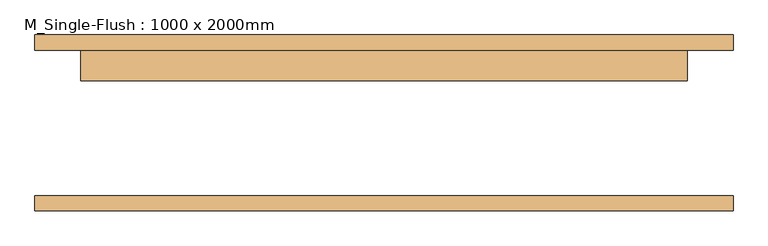
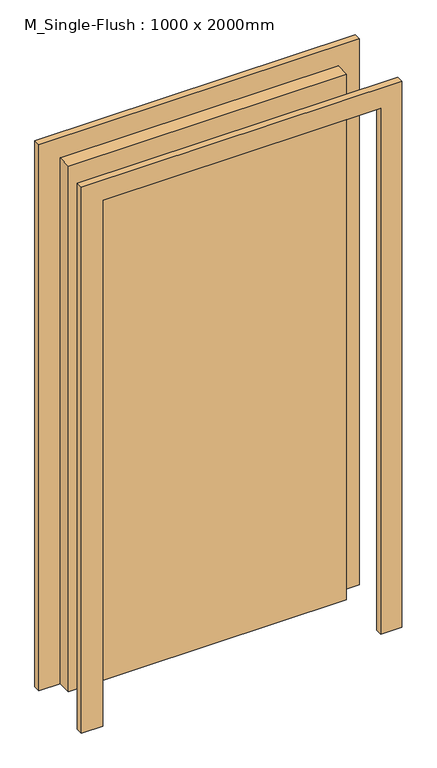
"""IFC4 building model written with IfcOpenShell, lengths in millimetres: door geometry, M_Single-Flush : 1000 x 2000mm."""

from ifc_helpers import new_model, si_unit, frame, origin, origin_with_axes, place, context, project, spatial, polyline, outline, extrude, source, transform, mapped, element, save


def m_single_flush_1000_x_2000mm_7b868ad8(model_context):
    return source(origin(), model_context, "Body", "SweptSolid", [
        extrude(outline(polyline([(2076.0, -576.0), (0.0, -576.0), (0.0, -500.0), (2000.0, -500.0), (2000.0, 500.0), (0.0, 500.0), (0.0, 576.0), (2076.0, 576.0), (2076.0, -576.0)])), frame((0.0, 120.0, 0.0), z_axis=(0.0, 1.0, 0.0), x_axis=(0.0, 0.0, 1.0)), (0.0, 0.0, 1.0), 25.0),
        extrude(outline(polyline([(2076.0, 576.0), (2076.0, -576.0), (0.0, -576.0), (0.0, -500.0), (2000.0, -500.0), (2000.0, 500.0), (0.0, 500.0), (0.0, 576.0), (2076.0, 576.0)])), frame((0.0, -145.0, 0.0), z_axis=(0.0, 1.0, 0.0), x_axis=(0.0, 0.0, 1.0)), (0.0, 0.0, 1.0), 25.0),
        extrude(outline(polyline([(500.0, 69.0), (-500.0, 69.0), (-500.0, 120.0), (500.0, 120.0), (500.0, 69.0)])), origin_with_axes(), (0.0, 0.0, 1.0), 2000.0),
    ])


if __name__ == "__main__":
    model = new_model("IFC4")
    model_context = context("Model", 3, world=origin())
    ifc_project = project(units=[si_unit("LENGTHUNIT", "METRE", prefix="MILLI")], contexts=[model_context])
    site = spatial("IfcSite", under=ifc_project)
    building = spatial("IfcBuilding", under=site)
    placement = place(None, origin())
    m_single_flush_1000_x_2000mm_shape = m_single_flush_1000_x_2000mm_7b868ad8(model_context)
    element("IfcDoor", 1, ObjectType="M_Single-Flush : 1000 x 2000mm", at=placement, inside=building, context=model_context, shape_type="MappedRepresentation", body=[
        mapped(m_single_flush_1000_x_2000mm_shape, transform((0.0, 0.0, 0.0), x_axis=(1.0, 0.0, 0.0), y_axis=(0.0, 1.0, 0.0), z_axis=(0.0, 0.0, 1.0))),
    ])
    save(model, "model.ifc")
